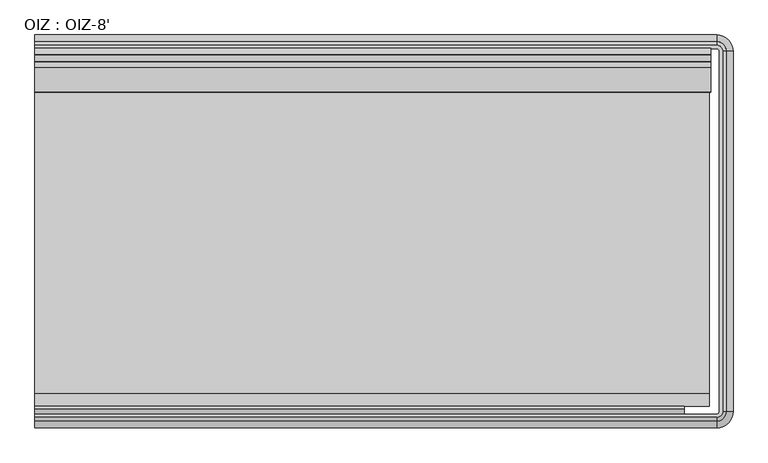
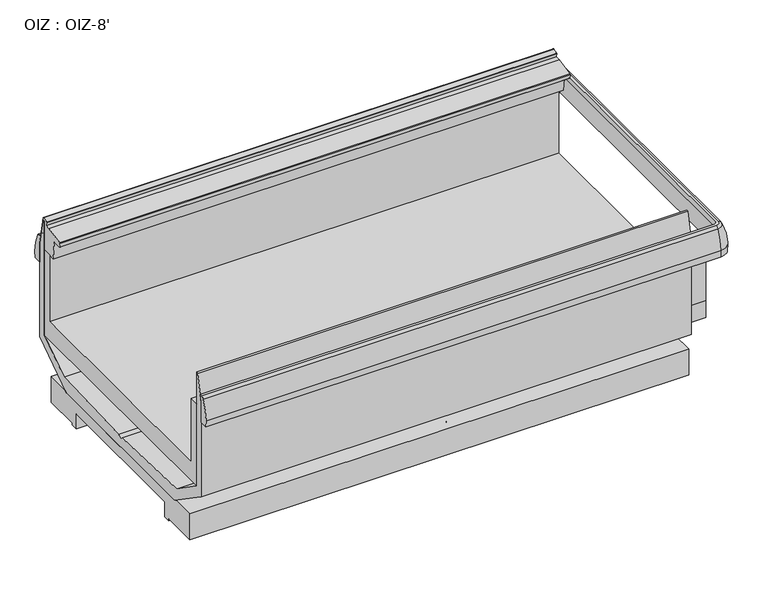
"""IFC4 building model written with IfcOpenShell, lengths in millimetres: proxy geometry, OIZ : OIZ-8'."""

from ifc_helpers import new_model, si_unit, point, frame, frame_2d, origin, place, context, project, spatial, polyline, circle_curve, ellipse_curve, trimmed, segment, composite_curve, outline, extrude, faceted_brep, source, transform, mapped, element, save
from ifc_brep_helpers import plane_surface, cylinder_surface, revolved_surface, advanced_brep


def oiz_oiz_8_6bbb74c9(model_context):
    return source(origin(), model_context, "Body", "SolidModel", [
        advanced_brep(
        [(0.0, -1779.9487888, 742.5260526), (0.0, -1756.7718705, 837.8904027), (0.0, -1742.3604846, 847.1075065), (0.0, -1730.6231369, 847.1075065), (0.0, -1738.8699813, 808.3091539), (0.0, -1738.8699813, 710.8577229), (0.0, -1778.626851, 710.8577229), (2459.0702702, -1779.9487888, 742.5260526), (2459.0702702, -1756.7718705, 837.8904027), (2459.0702702, -1742.3604846, 847.1075065), (2480.7908573, -1720.6398975, 847.1075065), (2480.7908573, -421.9302891, 847.1075065), (2459.1393382, -400.27877, 847.1075065), (0.0, -400.27877, 847.1075065), (0.0, -412.0161177, 847.1075065), (2459.1393382, -412.0161177, 847.1075065), (2469.0535096, -421.9302891, 847.1075065), (2469.0535096, -1720.6398975, 847.1075065), (2459.0702702, -1730.6231369, 847.1075065), (2459.0702702, -1738.8699813, 808.3091539), (2459.0702702, -1738.8699813, 710.8577229), (2477.300354, -1720.6398975, 710.8577229), (2477.300354, -421.9302891, 710.8577229), (2459.1393382, -403.7692733, 710.8577229), (0.0, -403.7692733, 710.8577229), (0.0, -364.0124036, 710.8577229), (2459.1393382, -364.0124036, 710.8577229), (2517.0572237, -421.9302891, 710.8577229), (2517.0572237, -1720.6398975, 710.8577229), (2459.0702702, -1778.626851, 710.8577229), (2495.2022432, -1720.6398975, 837.8904027), (2518.3791615, -1720.6398975, 742.5260526), (2518.3791615, -421.9302891, 742.5260526), (2495.2022432, -421.9302891, 837.8904027), (2477.300354, -1720.6398975, 808.3091539), (2477.300354, -421.9302891, 808.3091539), (0.0, -362.6904658, 742.5260526), (0.0, -403.7692733, 808.3091539), (0.0, -385.8673841, 837.8904027), (2459.1393382, -385.8673841, 837.8904027), (2459.1393382, -362.6904658, 742.5260526), (2459.1393382, -403.7692733, 808.3091539)],
        [
            (0, 1, circle_curve(frame((0.0, -1526.1354111, 731.338984), z_axis=(-1.0, 0.0, 0.0), x_axis=(0.0, 1.0, 0.0)), 254.0597985)),
            (1, 2, circle_curve(frame((0.0, -1742.3604846, 831.2325065), z_axis=(-1.0, 0.0, 0.0), x_axis=(0.0, 1.0, 0.0)), 15.875)),
            (2, 3),
            (3, 4),
            (4, 5),
            (5, 6),
            (6, 0),
            (0, 7),
            (7, 8, circle_curve(frame((2459.0702702, -1526.1354111, 731.338984), z_axis=(-1.0, 0.0, 0.0), x_axis=(0.0, 1.0, 0.0)), 254.0597985)),
            (8, 1),
            (8, 9, circle_curve(frame((2459.0702702, -1742.3604846, 831.2325065), z_axis=(-1.0, 0.0, 0.0), x_axis=(0.0, 1.0, 0.0)), 15.875)),
            (9, 2),
            (9, 10, circle_curve(frame((2459.0702702, -1720.6398975, 847.1075065), z_axis=(0.0, 0.0, 1.0), x_axis=(0.0, -1.0, 0.0)), 21.7205871)),
            (10, 11),
            (11, 12, circle_curve(frame((2459.1393382, -421.9302891, 847.1075065), z_axis=(0.0, 0.0, 1.0), x_axis=(1.0, 0.0, 0.0)), 21.6515191)),
            (12, 13),
            (13, 14),
            (14, 15),
            (15, 16, circle_curve(frame((2459.1393382, -421.9302891, 847.1075065), z_axis=(0.0, 0.0, -1.0), x_axis=(1.0, 0.0, 0.0)), 9.9141714)),
            (16, 17),
            (17, 18, circle_curve(frame((2459.0702702, -1720.6398975, 847.1075065), z_axis=(0.0, 0.0, -1.0), x_axis=(0.0, -1.0, 0.0)), 9.9832394)),
            (18, 3),
            (18, 19),
            (19, 4),
            (19, 20),
            (20, 5),
            (20, 21, circle_curve(frame((2459.0702702, -1720.6398975, 710.8577229), z_axis=(0.0, 0.0, 1.0), x_axis=(0.0, -1.0, 0.0)), 18.2300838)),
            (21, 22),
            (22, 23, circle_curve(frame((2459.1393382, -421.9302891, 710.8577229), z_axis=(0.0, 0.0, 1.0), x_axis=(1.0, 0.0, 0.0)), 18.1610158)),
            (23, 24),
            (24, 25),
            (25, 26),
            (26, 27, circle_curve(frame((2459.1393382, -421.9302891, 710.8577229), z_axis=(0.0, 0.0, -1.0), x_axis=(1.0, 0.0, 0.0)), 57.9178855)),
            (27, 28),
            (28, 29, circle_curve(frame((2459.0702702, -1720.6398975, 710.8577229), z_axis=(0.0, 0.0, -1.0), x_axis=(0.0, -1.0, 0.0)), 57.9869535)),
            (29, 6),
            (29, 7),
            (30, 31, circle_curve(frame((2264.5657838, -1720.6398975, 731.338984), z_axis=(0.0, 1.0, 0.0), x_axis=(-1.0, 0.0, 0.0)), 254.0597985)),
            (31, 32),
            (32, 33, circle_curve(frame((2264.5657838, -421.9302891, 731.338984), z_axis=(0.0, -1.0, 0.0), x_axis=(-1.0, 0.0, 0.0)), 254.0597985)),
            (33, 30),
            (10, 30, circle_curve(frame((2480.7908573, -1720.6398975, 831.2325065), z_axis=(0.0, 1.0, 0.0), x_axis=(-1.0, 0.0, 0.0)), 15.875)),
            (33, 11, circle_curve(frame((2480.7908573, -421.9302891, 831.2325065), z_axis=(0.0, -1.0, 0.0), x_axis=(-1.0, 0.0, 0.0)), 15.875)),
            (34, 17),
            (16, 35),
            (35, 34),
            (21, 34),
            (35, 22),
            (31, 28),
            (27, 32),
            (36, 25),
            (24, 37),
            (37, 14),
            (13, 38, circle_curve(frame((0.0, -400.27877, 831.2325065), z_axis=(-1.0, 0.0, 0.0), x_axis=(0.0, -1.0, 0.0)), 15.875)),
            (38, 36, circle_curve(frame((0.0, -616.5038435, 731.338984), z_axis=(-1.0, 0.0, 0.0), x_axis=(0.0, -1.0, 0.0)), 254.0597985)),
            (39, 40, circle_curve(frame((2459.1393382, -616.5038435, 731.338984), z_axis=(-1.0, 0.0, 0.0), x_axis=(0.0, -1.0, 0.0)), 254.0597985)),
            (40, 36),
            (38, 39),
            (12, 39, circle_curve(frame((2459.1393382, -400.27877, 831.2325065), z_axis=(-1.0, 0.0, 0.0), x_axis=(0.0, -1.0, 0.0)), 15.875)),
            (41, 15),
            (37, 41),
            (23, 41),
            (40, 26),
            (30, 8, circle_curve(frame((2459.0702702, -1720.6398975, 837.8904027), z_axis=(0.0, 0.0, -1.0), x_axis=(0.0, -1.0, 0.0)), 36.131973)),
            (7, 31, circle_curve(frame((2459.0702702, -1720.6398975, 742.5260526), z_axis=(0.0, 0.0, 1.0), x_axis=(0.0, -1.0, 0.0)), 59.3088914)),
            (34, 19, circle_curve(frame((2459.0702702, -1720.6398975, 808.3091539), z_axis=(0.0, 0.0, -1.0), x_axis=(0.0, -1.0, 0.0)), 18.2300838)),
            (39, 33, circle_curve(frame((2459.1393382, -421.9302891, 837.8904027), z_axis=(0.0, 0.0, -1.0), x_axis=(1.0, 0.0, 0.0)), 36.0629049)),
            (32, 40, circle_curve(frame((2459.1393382, -421.9302891, 742.5260526), z_axis=(0.0, 0.0, 1.0), x_axis=(1.0, 0.0, 0.0)), 59.2398233)),
            (41, 35, circle_curve(frame((2459.1393382, -421.9302891, 808.3091539), z_axis=(0.0, 0.0, -1.0), x_axis=(1.0, 0.0, 0.0)), 18.1610158)),
        ],
        [
            plane_surface(frame((0.0, -1793.6321273, 50.2442522), z_axis=(-1.0, 0.0, 0.0), x_axis=(0.0, 0.0, 1.0))),
            cylinder_surface(frame((0.0, -1526.1354111, 731.338984), z_axis=(-1.0, 0.0, 0.0), x_axis=(0.0, 1.0, 0.0)), 254.0597985),
            cylinder_surface(frame((0.0, -1742.3604846, 831.2325065), z_axis=(-1.0, 0.0, 0.0), x_axis=(0.0, 1.0, 0.0)), 15.875),
            plane_surface(frame((0.0, -1742.3604846, 847.1075065), z_axis=(0.0, 0.0, 1.0), x_axis=(1.0, 0.0, 0.0))),
            plane_surface(frame((0.0, -1730.6231369, 847.1075065), z_axis=(0.0, 0.9781476007337238, -0.20791169081814453), x_axis=(1.0, 0.0, 0.0))),
            plane_surface(frame((0.0, -1738.8699813, 808.3091539), z_axis=(0.0, 1.0, 0.0), x_axis=(1.0, 0.0, 0.0))),
            plane_surface(frame((0.0, -1762.8031313, 710.8577229), z_axis=(0.0, 0.0, -1.0), x_axis=(1.0, 0.0, 0.0))),
            plane_surface(frame((0.0, -1778.626851, 710.8577229), z_axis=(0.0, -0.9991298890583391, -0.04170689140023684), x_axis=(1.0, 0.0, 0.0))),
            cylinder_surface(frame((2264.5657838, -1720.6398975, 731.338984), z_axis=(0.0, -1.0, 0.0), x_axis=(-1.0, 0.0, 0.0)), 254.0597985),
            cylinder_surface(frame((2480.7908573, -1720.6398975, 831.2325065), z_axis=(0.0, -1.0, 0.0), x_axis=(-1.0, 0.0, 0.0)), 15.875),
            plane_surface(frame((2469.0535096, -1720.6398975, 847.1075065), z_axis=(-0.9781476007337238, 0.0, -0.20791169081814453), x_axis=(0.0, 1.0, 0.0))),
            plane_surface(frame((2477.300354, -1720.6398975, 808.3091539), z_axis=(-1.0, 0.0, 0.0), x_axis=(0.0, 1.0, 0.0))),
            plane_surface(frame((2517.0572237, -1720.6398975, 710.8577229), z_axis=(0.9991298890583391, 0.0, -0.04170689140023684), x_axis=(0.0, 1.0, 0.0))),
            plane_surface(frame((0.0, -349.0071273, 50.2442522), z_axis=(-1.0, 0.0, 0.0), x_axis=(0.0, 0.0, 1.0))),
            cylinder_surface(frame((2459.1393382, -616.5038435, 731.338984), z_axis=(1.0, 0.0, 0.0), x_axis=(0.0, -1.0, 0.0)), 254.0597985),
            cylinder_surface(frame((2459.1393382, -400.27877, 831.2325065), z_axis=(1.0, 0.0, 0.0), x_axis=(0.0, -1.0, 0.0)), 15.875),
            plane_surface(frame((2459.1393382, -412.0161177, 847.1075065), z_axis=(0.0, -0.9781476007337238, -0.20791169081814453), x_axis=(-1.0, 0.0, 0.0))),
            plane_surface(frame((2459.1393382, -403.7692733, 808.3091539), z_axis=(0.0, -1.0, 0.0), x_axis=(-1.0, 0.0, 0.0))),
            plane_surface(frame((2459.1393382, -364.0124036, 710.8577229), z_axis=(0.0, 0.9991298890583391, -0.04170689140023684), x_axis=(-1.0, 0.0, 0.0))),
            revolved_surface(trimmed(ellipse_curve(frame((2459.0702702, -1526.1354111, 731.338984), z_axis=(-1.0, 0.0, 0.0), x_axis=(0.0, 1.0, 0.0)), 254.0597985, 254.0597985), [point((2459.0702702, -1779.9487888, 742.5260526))], [point((2459.0702702, -1756.7718705, 837.8904027))], True, "CARTESIAN"), (2459.0702702, -1720.6398975, 50.2442522), (0.0, 0.0, 1.0)),
            revolved_surface(trimmed(ellipse_curve(frame((2459.0702702, -1742.3604846, 831.2325065), z_axis=(-1.0, 0.0, 0.0), x_axis=(0.0, 1.0, 0.0)), 15.875, 15.875), [point((2459.0702702, -1756.7718705, 837.8904027))], [point((2459.0702702, -1742.3604846, 847.1075065))], True, "CARTESIAN"), (2459.0702702, -1720.6398975, 50.2442522), (0.0, 0.0, 1.0)),
            revolved_surface(polyline([(2459.0702702, -1730.6231369, 847.1075065), (2459.0702702, -1738.8699813, 808.3091539)]), (2459.0702702, -1720.6398975, 50.2442522), (0.0, 0.0, 1.0)),
            revolved_surface(polyline([(2459.0702702, -1738.8699813, 808.3091539), (2459.0702702, -1738.8699813, 710.8577229)]), (2459.0702702, -1720.6398975, 50.2442522), (0.0, 0.0, 1.0)),
            revolved_surface(polyline([(2459.0702702, -1778.626851, 710.8577229), (2459.0702702, -1779.9487888, 742.5260526)]), (2459.0702702, -1720.6398975, 50.2442522), (0.0, 0.0, 1.0)),
            revolved_surface(trimmed(ellipse_curve(frame((2264.5657838, -421.9302891, 731.338984), z_axis=(0.0, -1.0, 0.0), x_axis=(-1.0, 0.0, 0.0)), 254.0597985, 254.0597985), [point((2518.3791615, -421.9302891, 742.5260526))], [point((2495.2022432, -421.9302891, 837.8904027))], True, "CARTESIAN"), (2459.1393382, -421.9302891, 50.2442522), (0.0, 0.0, 1.0)),
            revolved_surface(trimmed(ellipse_curve(frame((2480.7908573, -421.9302891, 831.2325065), z_axis=(0.0, -1.0, 0.0), x_axis=(-1.0, 0.0, 0.0)), 15.875, 15.875), [point((2495.2022432, -421.9302891, 837.8904027))], [point((2480.7908573, -421.9302891, 847.1075065))], True, "CARTESIAN"), (2459.1393382, -421.9302891, 50.2442522), (0.0, 0.0, 1.0)),
            revolved_surface(polyline([(2469.0535096, -421.9302891, 847.1075065), (2477.300354, -421.9302891, 808.3091539)]), (2459.1393382, -421.9302891, 50.2442522), (0.0, 0.0, 1.0)),
            revolved_surface(polyline([(2477.300354, -421.9302891, 808.3091539), (2477.300354, -421.9302891, 710.8577229)]), (2459.1393382, -421.9302891, 50.2442522), (0.0, 0.0, 1.0)),
            revolved_surface(polyline([(2517.0572237, -421.9302891, 710.8577229), (2518.3791615, -421.9302891, 742.5260526)]), (2459.1393382, -421.9302891, 50.2442522), (0.0, 0.0, 1.0)),
        ],
        [
            (0, [[1, 2, 3, 4, 5, 6, 7]]),
            (1, [[-1, 8, 9, 10]]),
            (2, [[-2, -10, 11, 12]]),
            (3, [[-3, -12, 13, 14, 15, 16, 17, 18, 19, 20, 21, 22]]),
            (4, [[-4, -22, 23, 24]]),
            (5, [[-5, -24, 25, 26]]),
            (6, [[-26, 27, 28, 29, 30, 31, 32, 33, 34, 35, 36, -6]]),
            (7, [[-7, -36, 37, -8]]),
            (8, [[38, 39, 40, 41]]),
            (9, [[42, -41, 43, -14]]),
            (10, [[44, -20, 45, 46]]),
            (11, [[47, -46, 48, -28]]),
            (12, [[49, -34, 50, -39]]),
            (13, [[51, -31, 52, 53, -17, 54, 55]]),
            (14, [[56, 57, -55, 58]]),
            (15, [[59, -58, -54, -16]]),
            (16, [[60, -18, -53, 61]]),
            (17, [[62, -61, -52, -30]]),
            (18, [[63, -32, -51, -57]]),
            (19, [[64, -9, 65, -38]]),
            (20, [[-13, -11, -64, -42]]),
            (21, [[66, -23, -21, -44]]),
            (22, [[-27, -25, -66, -47]]),
            (23, [[-65, -37, -35, -49]]),
            (24, [[67, -40, 68, -56]]),
            (25, [[-15, -43, -67, -59]]),
            (26, [[69, -45, -19, -60]]),
            (27, [[-29, -48, -69, -62]]),
            (28, [[-68, -50, -33, -63]]),
        ],
    ),
        extrude(outline(composite_curve([segment(trimmed(circle_curve(frame_2d((152.4, -1552.3321273)), 9.525), [point((142.875, -1552.3321273))], [point((161.925, -1552.3321273))], False, "CARTESIAN"), True, "CONTINUOUS"), segment(trimmed(circle_curve(frame_2d((152.4, -1552.3321273)), 9.525), [point((161.925, -1552.3321273))], [point((142.875, -1552.3321273))], False, "CARTESIAN"), True, "CONTINUOUS")], self_intersect=False)), frame((0.0, 0.0, 59.3851334), z_axis=(0.0, 0.0, 1.0), x_axis=(1.0, 0.0, 0.0)), (0.0, 0.0, 1.0), 6.35),
        extrude(outline(composite_curve([segment(trimmed(circle_curve(frame_2d((228.6, -1552.3321273)), 9.525), [point((219.075, -1552.3321273))], [point((238.125, -1552.3321273))], False, "CARTESIAN"), True, "CONTINUOUS"), segment(trimmed(circle_curve(frame_2d((228.6, -1552.3321273)), 9.525), [point((238.125, -1552.3321273))], [point((219.075, -1552.3321273))], False, "CARTESIAN"), True, "CONTINUOUS")], self_intersect=False)), frame((0.0, 0.0, 59.3851334), z_axis=(0.0, 0.0, 1.0), x_axis=(1.0, 0.0, 0.0)), (0.0, 0.0, 1.0), 6.35),
        extrude(outline(composite_curve([segment(trimmed(circle_curve(frame_2d((1219.2, -1552.7093173)), 38.1), [point((1181.1, -1552.7093173))], [point((1257.3, -1552.7093173))], False, "CARTESIAN"), True, "CONTINUOUS"), segment(trimmed(circle_curve(frame_2d((1219.2, -1552.7093173)), 38.1), [point((1257.3, -1552.7093173))], [point((1181.1, -1552.7093173))], False, "CARTESIAN"), True, "CONTINUOUS")], self_intersect=False)), frame((0.0, 0.0, 59.3851334), z_axis=(0.0, 0.0, 1.0), x_axis=(1.0, 0.0, 0.0)), (0.0, 0.0, 1.0), 117.8591189),
        extrude(outline(composite_curve([segment(trimmed(circle_curve(frame_2d((2174.08125, -1399.9321273)), 11.1125), [point((2162.96875, -1399.9321273))], [point((2185.19375, -1399.9321273))], False, "CARTESIAN"), True, "CONTINUOUS"), segment(trimmed(circle_curve(frame_2d((2174.08125, -1399.9321273)), 11.1125), [point((2185.19375, -1399.9321273))], [point((2162.96875, -1399.9321273))], False, "CARTESIAN"), True, "CONTINUOUS")], self_intersect=False)), frame((0.0, 0.0, 125.8872904), z_axis=(0.0, 0.0, 1.0), x_axis=(1.0, 0.0, 0.0)), (0.0, 0.0, 1.0), 51.3569618),
        extrude(outline(composite_curve([segment(trimmed(circle_curve(frame_2d((2132.80625, -1399.9321273)), 9.525), [point((2123.28125, -1399.9321273))], [point((2142.33125, -1399.9321273))], False, "CARTESIAN"), True, "CONTINUOUS"), segment(trimmed(circle_curve(frame_2d((2132.80625, -1399.9321273)), 9.525), [point((2142.33125, -1399.9321273))], [point((2123.28125, -1399.9321273))], False, "CARTESIAN"), True, "CONTINUOUS")], self_intersect=False)), frame((0.0, 0.0, 125.8872904), z_axis=(0.0, 0.0, 1.0), x_axis=(1.0, 0.0, 0.0)), (0.0, 0.0, 1.0), 51.3569618),
        advanced_brep(
        [(2383.2785775, -497.7910498, 59.3851334), (2383.2785775, -497.7910498, 190.7162695), (2383.2785775, -611.2237672, 190.7162695), (2383.2785775, -624.9324146, 181.1173712), (2383.2785775, -1517.6104004, 181.1173712), (2383.2785775, -1531.4154874, 190.7162695), (2383.2785775, -1644.8482048, 190.7162695), (2383.2785775, -1644.8482048, 59.3851334), (2383.2785775, -1471.3693098, 59.3851334), (2383.2785775, -1471.3693098, 50.2442522), (2383.2785775, -1436.4443098, 50.2442522), (2383.2785775, -1436.4443098, 125.8872904), (2383.2785775, -706.1949448, 125.8872904), (2383.2785775, -706.1949448, 50.2442522), (2383.2785775, -671.2699448, 50.2442522), (2383.2785775, -671.2699448, 59.3851334), (0.0, -497.7910498, 59.3851334), (0.0, -671.2699448, 59.3851334), (0.0, -671.2699448, 50.2442522), (0.0, -706.1949448, 50.2442522), (0.0, -706.1949448, 125.8872904), (0.0, -1436.4443098, 125.8872904), (0.0, -1436.4443098, 50.2442522), (0.0, -1471.3693098, 50.2442522), (0.0, -1471.3693098, 59.3851334), (0.0, -1644.8482048, 59.3851334), (0.0, -1644.8482048, 190.7162695), (0.0, -1531.4154874, 190.7162695), (0.0, -1517.6104004, 181.1173712), (0.0, -624.9324146, 181.1173712), (0.0, -611.2237672, 190.7162695), (0.0, -497.7910498, 190.7162695), (1168.4, -1552.7093173, 59.3851334), (1270.0, -1552.7093173, 59.3851334), (287.3791612, -1530.5482048, 59.3851334), (105.2648592, -1530.5482048, 59.3851334), (105.2648592, -1574.5393697, 59.3851334), (287.3791612, -1574.5393697, 59.3851334), (2118.1237765, -1436.4443098, 50.2442522), (2188.7637235, -1436.4443098, 50.2442522), (2188.7637235, -1436.4443098, 125.8872904), (2118.1237765, -1436.4443098, 125.8872904), (2204.24375, -1399.9321273, 125.8872904), (2102.64375, -1399.9321273, 125.8872904), (2102.64375, -1399.9321273, 177.2442522), (2204.24375, -1399.9321273, 177.2442522), (1168.4, -1552.7093173, 177.2442522), (1270.0, -1552.7093173, 177.2442522), (287.3791612, -1530.5482048, 65.7351334), (287.3791612, -1574.5393697, 65.7351334), (105.2648592, -1574.5393697, 65.7351334), (105.2648592, -1530.5482048, 65.7351334)],
        [
            (0, 1),
            (1, 2),
            (2, 3),
            (3, 4),
            (4, 5),
            (5, 6),
            (6, 7),
            (7, 8),
            (8, 9),
            (9, 10),
            (10, 11),
            (11, 12),
            (12, 13),
            (13, 14),
            (14, 15),
            (15, 0),
            (16, 17),
            (17, 18),
            (18, 19),
            (19, 20),
            (20, 21),
            (21, 22),
            (22, 23),
            (23, 24),
            (24, 25),
            (25, 26),
            (26, 27),
            (27, 28),
            (28, 29),
            (29, 30),
            (30, 31),
            (31, 16),
            (0, 16),
            (31, 1),
            (3, 29),
            (28, 4),
            (6, 26),
            (25, 7),
            (24, 8),
            (32, 33, circle_curve(frame((1219.2, -1552.7093173, 59.3851334), z_axis=(0.0, 0.0, 1.0), x_axis=(1.0, 0.0, 0.0)), 50.8)),
            (33, 32, circle_curve(frame((1219.2, -1552.7093173, 59.3851334), z_axis=(0.0, 0.0, 1.0), x_axis=(1.0, 0.0, 0.0)), 50.8)),
            (34, 35),
            (35, 36),
            (36, 37),
            (37, 34),
            (23, 9),
            (22, 38),
            (38, 39, circle_curve(frame((2153.44375, -1399.9321273, 50.2442522), z_axis=(0.0, 0.0, 1.0), x_axis=(1.0, 0.0, 0.0)), 50.8)),
            (39, 10),
            (39, 40),
            (40, 11),
            (21, 41),
            (41, 38),
            (40, 42, circle_curve(frame((2153.44375, -1399.9321273, 125.8872904), z_axis=(0.0, 0.0, 1.0), x_axis=(1.0, 0.0, 0.0)), 50.8)),
            (42, 43, circle_curve(frame((2153.44375, -1399.9321273, 125.8872904), z_axis=(0.0, 0.0, 1.0), x_axis=(1.0, 0.0, 0.0)), 50.8)),
            (43, 41, circle_curve(frame((2153.44375, -1399.9321273, 125.8872904), z_axis=(0.0, 0.0, 1.0), x_axis=(1.0, 0.0, 0.0)), 50.8)),
            (20, 12),
            (19, 13),
            (18, 14),
            (17, 15),
            (44, 45, circle_curve(frame((2153.44375, -1399.9321273, 177.2442522), z_axis=(0.0, 0.0, -1.0), x_axis=(1.0, 0.0, 0.0)), 50.8)),
            (45, 44, circle_curve(frame((2153.44375, -1399.9321273, 177.2442522), z_axis=(0.0, 0.0, -1.0), x_axis=(1.0, 0.0, 0.0)), 50.8)),
            (45, 42),
            (43, 44),
            (46, 47, circle_curve(frame((1219.2, -1552.7093173, 177.2442522), z_axis=(0.0, 0.0, -1.0), x_axis=(1.0, 0.0, 0.0)), 50.8)),
            (47, 46, circle_curve(frame((1219.2, -1552.7093173, 177.2442522), z_axis=(0.0, 0.0, -1.0), x_axis=(1.0, 0.0, 0.0)), 50.8)),
            (47, 33),
            (32, 46),
            (48, 49),
            (49, 50),
            (50, 51),
            (51, 48),
            (51, 35),
            (34, 48),
            (50, 36),
            (49, 37),
            (30, 2),
            (27, 5),
        ],
        [
            plane_surface(frame((2383.2785775, -497.7910498, 66.5320031), z_axis=(1.0, 0.0, 0.0), x_axis=(0.0, 0.0, 1.0))),
            plane_surface(frame((0.0, -497.7910498, 66.5320031), z_axis=(-1.0, 0.0, 0.0), x_axis=(0.0, 0.0, -1.0))),
            plane_surface(frame((2383.2785775, -497.7910498, 59.3851334), z_axis=(0.0, 1.0, 0.0), x_axis=(-1.0, 0.0, 0.0))),
            plane_surface(frame((2383.2785775, -624.9324146, 181.1173712), z_axis=(0.0, 0.0, 1.0), x_axis=(-1.0, 0.0, 0.0))),
            plane_surface(frame((2383.2785775, -1644.8482048, 190.7162695), z_axis=(0.0, -1.0, 0.0), x_axis=(-1.0, 0.0, 0.0))),
            plane_surface(frame((2383.2785775, -1644.8482048, 59.3851334), z_axis=(0.0, 0.0, -1.0), x_axis=(-1.0, 0.0, 0.0))),
            plane_surface(frame((2383.2785775, -1471.3693098, 59.3851334), z_axis=(0.0, -1.0, 0.0), x_axis=(-1.0, 0.0, 0.0))),
            plane_surface(frame((2383.2785775, -1471.3693098, 50.2442522), z_axis=(0.0, 0.0, -1.0), x_axis=(-1.0, 0.0, 0.0))),
            plane_surface(frame((2383.2785775, -1436.4443098, 50.2442522), z_axis=(0.0, 1.0, 0.0), x_axis=(-1.0, 0.0, 0.0))),
            plane_surface(frame((2383.2785775, -1436.4443098, 125.8872904), z_axis=(0.0, 0.0, -1.0), x_axis=(-1.0, 0.0, 0.0))),
            plane_surface(frame((2383.2785775, -706.1949448, 125.8872904), z_axis=(0.0, -1.0, 0.0), x_axis=(-1.0, 0.0, 0.0))),
            plane_surface(frame((2383.2785775, -706.1949448, 50.2442522), z_axis=(0.0, 0.0, -1.0), x_axis=(-1.0, 0.0, 0.0))),
            plane_surface(frame((2383.2785775, -671.2699448, 50.2442522), z_axis=(0.0, 1.0, 0.0), x_axis=(-1.0, 0.0, 0.0))),
            plane_surface(frame((2383.2785775, -671.2699448, 59.3851334), z_axis=(0.0, 0.0, -1.0), x_axis=(-1.0, 0.0, 0.0))),
            plane_surface(frame((2204.24375, -1399.9321273, 177.2442522), z_axis=(0.0, 0.0, -1.0), x_axis=(0.0, 1.0, 0.0))),
            revolved_surface(polyline([(2204.24375, -1399.9321273, 177.2442522), (2204.24375, -1399.9321273, 50.2442522)]), (2153.44375, -1399.9321273, 50.2442522), (0.0, 0.0, 1.0)),
            revolved_surface(polyline([(2204.24375, -1399.9321273, 177.2442522), (2204.24375, -1399.9321273, 125.88729040000001)]), (2153.44375, -1399.9321273, 50.2442522), (0.0, 0.0, 1.0)),
            plane_surface(frame((1270.0, -1552.7093173, 177.2442522), z_axis=(0.0, 0.0, -1.0), x_axis=(0.0, 1.0, 0.0))),
            revolved_surface(polyline([(1270.0, -1552.7093173, 177.2442522), (1270.0, -1552.7093173, 59.3851334)]), (1219.2, -1552.7093173, 50.2442522), (0.0, 0.0, 1.0)),
            plane_surface(frame((88.9, -1530.5482048, 65.7351334), z_axis=(0.0, 0.0, -1.0), x_axis=(-1.0, 0.0, 0.0))),
            plane_surface(frame((287.3791612, -1530.5482048, 65.7351334), z_axis=(0.0, -1.0, 0.0), x_axis=(0.0, 0.0, -1.0))),
            plane_surface(frame((105.2648592, -1530.5482048, 65.7351334), z_axis=(1.0, 0.0, 0.0), x_axis=(0.0, 0.0, -1.0))),
            plane_surface(frame((105.2648592, -1574.5393697, 65.7351334), z_axis=(0.0, 1.0, 0.0), x_axis=(0.0, 0.0, -1.0))),
            plane_surface(frame((287.3791612, -1574.5393697, 65.7351334), z_axis=(-1.0, 0.0, 0.0), x_axis=(0.0, 0.0, -1.0))),
            plane_surface(frame((2383.2785775, -497.7910498, 190.7162695), z_axis=(0.0, 0.0, 1.0), x_axis=(-1.0, 0.0, 0.0))),
            plane_surface(frame((2383.2785775, -611.2237672, 190.7162695), z_axis=(0.0, -0.5735764363510149, 0.8191520442890138), x_axis=(-1.0, 0.0, 0.0))),
            plane_surface(frame((2383.2785775, -1517.6104004, 181.1173712), z_axis=(0.0, 0.5708784896060859, 0.8210345608469075), x_axis=(-1.0, 0.0, 0.0))),
            plane_surface(frame((2383.2785775, -1531.4154874, 190.7162695), z_axis=(0.0, 0.0, 1.0), x_axis=(-1.0, 0.0, 0.0))),
        ],
        [
            (0, [[1, 2, 3, 4, 5, 6, 7, 8, 9, 10, 11, 12, 13, 14, 15, 16]]),
            (1, [[17, 18, 19, 20, 21, 22, 23, 24, 25, 26, 27, 28, 29, 30, 31, 32]]),
            (2, [[-1, 33, -32, 34]]),
            (3, [[-4, 35, -29, 36]]),
            (4, [[-7, 37, -26, 38]]),
            (5, [[-8, -38, -25, 39], [40, 41], [42, 43, 44, 45]]),
            (6, [[-9, -39, -24, 46]]),
            (7, [[-10, -46, -23, 47, 48, 49]]),
            (8, [[-11, -49, 50, 51]]),
            (8, [[-22, 52, 53, -47]]),
            (9, [[-12, -51, 54, 55, 56, -52, -21, 57]]),
            (10, [[-13, -57, -20, 58]]),
            (11, [[-14, -58, -19, 59]]),
            (12, [[-15, -59, -18, 60]]),
            (13, [[-16, -60, -17, -33]]),
            (14, [[61, 62]]),
            (15, [[-62, 63, -54, -50, -48, -53, -56, 64]]),
            (16, [[-61, -64, -55, -63]]),
            (17, [[65, 66]]),
            (18, [[-66, 67, -40, 68]]),
            (18, [[-65, -68, -41, -67]]),
            (19, [[69, 70, 71, 72]]),
            (20, [[-72, 73, -42, 74]]),
            (21, [[-71, 75, -43, -73]]),
            (22, [[-70, 76, -44, -75]]),
            (23, [[-69, -74, -45, -76]]),
            (24, [[-2, -34, -31, 77]]),
            (25, [[-3, -77, -30, -35]]),
            (26, [[-5, -36, -28, 78]]),
            (27, [[-6, -78, -27, -37]]),
        ],
    ),
        faceted_brep([(2342.7781435, -432.1205344, 941.6913504), (2342.7781435, -440.8913733, 941.6913504), (2342.7781435, -440.8913733, 796.3629923), (2342.7781435, -440.8913733, 451.8224366), (2342.7781435, -440.8916273, 365.9680035), (2342.7781435, -603.8697245, 251.8495515), (2342.7781435, -1057.0321273, 235.1755745), (2342.7781435, -1071.3196273, 220.8880745), (2342.7781435, -1085.6893753, 235.2578226), (2342.7781435, -1538.7697841, 251.8495397), (2342.7781435, -1701.7478813, 365.9679917), (2342.7781435, -1701.7478813, 451.8224366), (2342.7781435, -1701.7478813, 782.3984294), (2342.7781435, -1701.7478813, 941.6913504), (2342.7781435, -1710.5187202, 941.6913504), (2342.7781435, -1730.6231369, 847.1075065), (2342.7781435, -1738.8699813, 808.3091539), (2342.7781435, -1738.8699813, 334.9627042), (2342.7781435, -1669.8693202, 286.9854386), (2342.7781435, -1517.6104004, 181.1173712), (2342.7781435, -625.0288542, 181.1173712), (2342.7781435, -403.7693256, 336.0449611), (2342.7781435, -403.7693256, 710.8577229), (2342.7781435, -403.7693256, 808.3091539), (2342.7781435, -412.0161177, 847.1075065), (0.0, -432.1205344, 941.6913504), (0.0, -412.0161177, 847.1075065), (0.0, -403.7693256, 808.3091539), (0.0, -403.7693256, 710.8577229), (0.0, -403.7693256, 336.0449611), (0.0, -625.0288542, 181.1173712), (0.0, -1517.6104004, 181.1173712), (0.0, -1669.8693202, 286.9854386), (0.0, -1738.8699813, 334.9627042), (0.0, -1738.8699813, 808.3091539), (0.0, -1730.6231369, 847.1075065), (0.0, -1710.5187202, 941.6913504), (0.0, -1701.7478813, 941.6913504), (0.0, -1701.7478813, 782.3984294), (0.0, -1701.7478813, 451.8224366), (0.0, -1701.7478813, 365.9679917), (0.0, -1538.7697841, 251.8495397), (0.0, -1085.6893753, 235.2578226), (0.0, -1071.3196273, 220.8880745), (0.0, -1057.0321273, 235.1755745), (0.0, -603.8697245, 251.8495515), (0.0, -440.8916273, 365.9680035), (0.0, -440.8916273, 451.8224366), (0.0, -440.8913733, 796.3629923), (0.0, -440.8913733, 941.6913504)], [[[0, 1, 2, 3, 4, 5, 6, 7, 8, 9, 10, 11, 12, 13, 14, 15, 16, 17, 18, 19, 20, 21, 22, 23, 24]], [[25, 26, 27, 28, 29, 30, 31, 32, 33, 34, 35, 36, 37, 38, 39, 40, 41, 42, 43, 44, 45, 46, 47, 48, 49]], [[1, 0, 25, 49]], [[2, 1, 49, 48]], [[3, 2, 48, 47]], [[4, 3, 47, 46]], [[5, 4, 46, 45]], [[6, 5, 45, 44]], [[7, 6, 44, 43]], [[8, 7, 43, 42]], [[9, 8, 42, 41]], [[10, 9, 41, 40]], [[11, 10, 40, 39]], [[12, 11, 39, 38]], [[13, 12, 38, 37]], [[14, 13, 37, 36]], [[15, 14, 36, 35]], [[16, 15, 35, 34]], [[17, 16, 34, 33]], [[18, 17, 33, 32]], [[19, 18, 32, 31]], [[20, 19, 31, 30]], [[21, 20, 30, 29]], [[22, 21, 29, 28]], [[23, 22, 28, 27]], [[24, 23, 27, 26]], [[0, 24, 26, 25]]]),
        faceted_brep([(2432.0743483, -1701.7478813, 365.9680035), (2432.0743483, -440.8916273, 365.9680035), (2432.0743483, -440.8916273, 451.8224366), (2432.0743483, -440.8913733, 796.3629923), (2432.0743483, -485.6461733, 796.3629923), (2432.0743483, -485.6461733, 460.6823872), (2432.0743483, -1656.9930813, 460.6823872), (2432.0743483, -1656.9930813, 782.3984294), (2432.0743483, -1701.7478813, 782.3984294), (2432.0743483, -1701.7478813, 451.8224366), (0.0, -1701.7478813, 365.9680035), (0.0, -1701.7478813, 451.8224366), (0.0, -1701.7478813, 782.3984294), (0.0, -1656.9930813, 782.3984294), (0.0, -1656.9930813, 460.6823872), (0.0, -485.6461733, 460.6823872), (0.0, -485.6461733, 796.3629923), (0.0, -440.8913733, 796.3629923), (0.0, -440.8913733, 451.8224366), (0.0, -440.8916273, 365.9680035)], [[[0, 1, 2, 3, 4, 5, 6, 7, 8, 9]], [[10, 11, 12, 13, 14, 15, 16, 17, 18, 19]], [[2, 1, 19, 18]], [[3, 2, 18, 17]], [[4, 3, 17, 16]], [[5, 4, 16, 15]], [[6, 5, 15, 14]], [[7, 6, 14, 13]], [[8, 7, 13, 12]], [[9, 8, 12, 11]], [[0, 9, 11, 10]], [[1, 0, 10, 19]]]),
        extrude(outline(composite_curve([segment(polyline([(-431.9839327, 952.3854544), (-409.6064141, 847.1075065), (-412.0161177, 847.1075065), (-432.1205344, 941.6913504), (-440.8913733, 941.6913504), (-440.8913733, 796.3629923), (-485.6461733, 796.3629923), (-513.3863704, 792.9569244), (-524.3561926, 885.8112569), (-565.6042257, 885.8112569)]), True, "CONTINUOUS"), segment(trimmed(circle_curve(frame_2d((-565.6042257, 888.3131569)), 2.5019), [point((-565.6042257, 885.8112569))], [point((-568.0998849, 888.1365545))], False, "CARTESIAN"), True, "CONTINUOUS"), segment(polyline([(-568.0998849, 888.1365545), (-569.08138, 906.3399769)]), True, "CONTINUOUS"), segment(trimmed(circle_curve(frame_2d((-566.5347754, 906.4772852)), 2.5503035), [point((-569.08138, 906.3399769))], [point((-567.0224617, 908.9805251))], False, "CARTESIAN"), True, "CONTINUOUS"), segment(polyline([(-567.0224617, 908.9805251), (-479.050437, 926.3067225), (-454.6168696, 926.2316048), (-460.0060323, 946.3442338)]), True, "CONTINUOUS"), segment(trimmed(circle_curve(frame_2d((-458.472625, 946.755109)), 1.5875), [point((-460.0060323, 946.3442338))], [point((-458.8026848, 948.3079183))], False, "CARTESIAN"), True, "CONTINUOUS"), segment(polyline([(-458.8026848, 948.3079183), (-433.8668019, 953.6082039)]), True, "CONTINUOUS"), segment(trimmed(circle_curve(frame_2d((-433.5367421, 952.0553946)), 1.5875), [point((-433.8668019, 953.6082039))], [point((-431.9839327, 952.3854544))], False, "CARTESIAN"), True, "CONTINUOUS")], self_intersect=False)), frame((0.0, 0.0, 0.0), z_axis=(1.0, 0.0, 0.0), x_axis=(0.0, 1.0, 0.0)), (0.0, 0.0, 1.0), 2438.4),
    ])


if __name__ == "__main__":
    model = new_model("IFC4")
    model_context = context("Model", 3, world=origin())
    ifc_project = project(units=[si_unit("LENGTHUNIT", "METRE", prefix="MILLI")], contexts=[model_context])
    site = spatial("IfcSite", under=ifc_project)
    building = spatial("IfcBuilding", under=site)
    placement = place(None, origin())
    oiz_oiz_8_shape = oiz_oiz_8_6bbb74c9(model_context)
    element("IfcBuildingElementProxy", 1, Name="OIZ : OIZ-8'", ObjectType="OIZ : OIZ-8'", at=placement, inside=building, context=model_context, shape_type="MappedRepresentation", body=[
        mapped(oiz_oiz_8_shape, transform((0.0, 0.0, 0.0), x_axis=(1.0, 0.0, 0.0), y_axis=(0.0, 1.0, 0.0), z_axis=(0.0, 0.0, 1.0))),
    ])
    save(model, "model.ifc")
